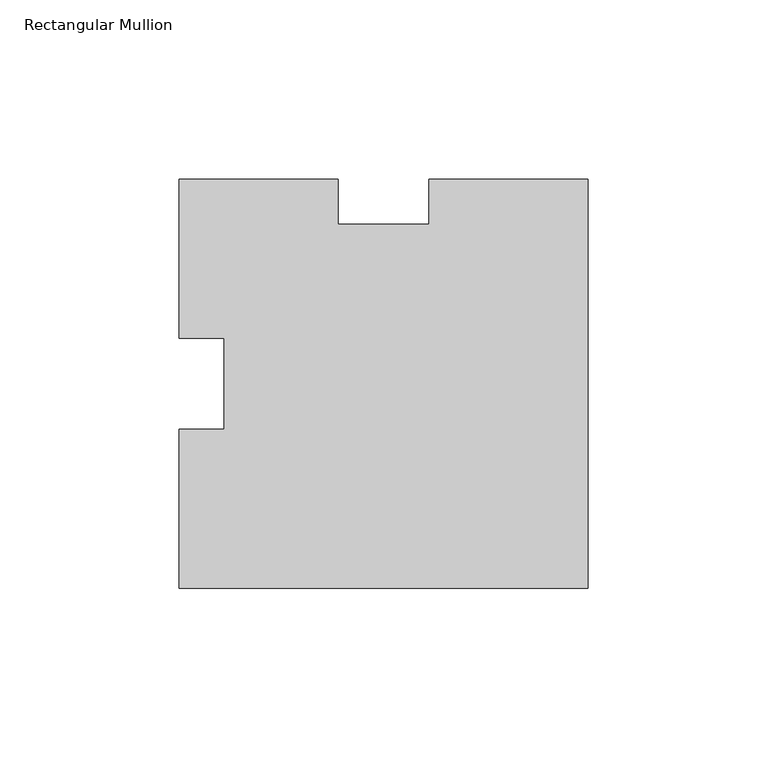
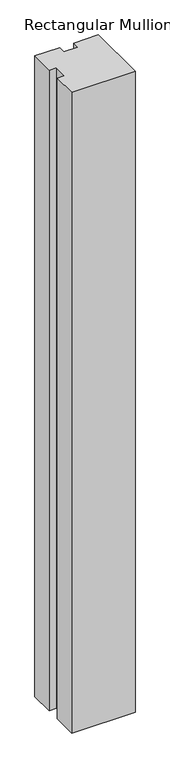
"""IFC4 building model written with IfcOpenShell, lengths in millimetres: member geometry, Rectangular Mullion."""

import ifcopenshell
import ifcopenshell.guid

model = None  # the IFC model being written
_history = None  # IfcOwnerHistory: only IFC2X3 demands one
_inside = {}  # id of a spatial element -> (the spatial element, [elements in it])
_under = {}  # id of a project, library or spatial element -> (it, [spatial elements below it])
_declared = {}  # id of a project -> (the project, [libraries it declares])
_typed = {}  # id of a type object -> (the type object, [elements of that type])
_made_of = {}  # id of a material, layer set ... -> (it, [elements and type objects made of it])


def new_model(schema):
    """Start an empty IFC model of exactly this schema.

    Asked for "IFC4X3", IfcOpenShell would pick the latest addendum, in which some entities
    have other attributes; the version numbers below select the first issue.
    IFC2X3 requires an IfcOwnerHistory on every rooted entity: one is made here for all.
    """
    global model, _history
    if schema == "IFC4X3":
        model = ifcopenshell.file(schema_version=(4, 3, 0, 0))
    else:
        model = ifcopenshell.file(schema=schema)
    _inside.clear()
    _under.clear()
    _declared.clear()
    _typed.clear()
    _made_of.clear()
    _history = None
    if model.schema == "IFC2X3":
        org = make("IfcOrganization", Name="unknown")
        user = make(
            "IfcPersonAndOrganization",
            ThePerson=make("IfcPerson", FamilyName="unknown"),
            TheOrganization=org,
        )
        app = make(
            "IfcApplication",
            ApplicationDeveloper=org,
            Version="unknown",
            ApplicationFullName="unknown",
            ApplicationIdentifier="unknown",
        )
        _history = make(
            "IfcOwnerHistory",
            OwningUser=user,
            OwningApplication=app,
            ChangeAction="ADDED",
            CreationDate=0,
        )
    return model


def make(cls, **values):
    """One entity of the class cls with the attributes given. An attribute that is None is left unset."""
    return model.create_entity(
        cls, **{name: value for name, value in values.items() if value is not None}
    )


def rooted(cls, **values):
    """An entity with a GlobalId (a new one), such as an element, a storey or a relation."""
    return make(cls, GlobalId=ifcopenshell.guid.new(), OwnerHistory=_history, **values)


def si_unit(unit_type, name, prefix=None):
    """IfcSIUnit, for example si_unit("LENGTHUNIT", "METRE", prefix="MILLI")."""
    return make("IfcSIUnit", UnitType=unit_type, Prefix=prefix, Name=name)


def assignment(units):
    """IfcUnitAssignment: the units of a project."""
    return None if units is None else make("IfcUnitAssignment", Units=units)


def point(xyz):
    """IfcCartesianPoint."""
    return None if xyz is None else make("IfcCartesianPoint", Coordinates=xyz)


def direction(xyz):
    """IfcDirection."""
    return None if xyz is None else make("IfcDirection", DirectionRatios=xyz)


def frame(location, z_axis=None, x_axis=None):
    """IfcAxis2Placement3D, a coordinate frame: its origin and axes. An axis left out is left unset."""
    return make(
        "IfcAxis2Placement3D",
        Location=point(location),
        Axis=direction(z_axis),
        RefDirection=direction(x_axis),
    )


def origin():
    """The frame at (0, 0, 0) with its axes left unset."""
    return frame((0.0, 0.0, 0.0))


def place(relative_to, where):
    """IfcLocalPlacement: puts the frame where relative to a parent placement (None: the world)."""
    return make(
        "IfcLocalPlacement", PlacementRelTo=relative_to, RelativePlacement=where
    )


def context(
    kind, dimensions, precision=None, world=None, true_north=None, identifier=None
):
    """IfcGeometricRepresentationContext, for example the 3D "Model" context."""
    return make(
        "IfcGeometricRepresentationContext",
        ContextIdentifier=identifier,
        ContextType=kind,
        CoordinateSpaceDimension=dimensions,
        Precision=precision,
        WorldCoordinateSystem=world,
        TrueNorth=true_north,
    )


def project(units=None, contexts=None):
    """IfcProject with its units and contexts."""
    return rooted(
        "IfcProject",
        Name="project",
        RepresentationContexts=contexts,
        UnitsInContext=assignment(units),
    )


def spatial(cls, under=None, at=None, **own):
    """A site, building, storey or space (cls), placed at a placement, below another one or the project."""
    s = rooted(cls, ObjectPlacement=at, **own)
    if under is not None:
        _under.setdefault(under.id(), (under, []))[1].append(s)
    return s


def polyline(points):
    """IfcPolyline through the points."""
    return make("IfcPolyline", Points=[point(p) for p in points])


def outline(outer, holes=None, kind="AREA"):
    """IfcArbitraryClosedProfileDef: a profile drawn as a closed curve; with holes, ...WithVoids."""
    if holes is None:
        return make("IfcArbitraryClosedProfileDef", ProfileType=kind, OuterCurve=outer)
    return make(
        "IfcArbitraryProfileDefWithVoids",
        ProfileType=kind,
        OuterCurve=outer,
        InnerCurves=holes,
    )


def extrude(swept, where, along, depth):
    """IfcExtrudedAreaSolid: the profile swept, set in the frame where, extruded along a direction by depth."""
    return make(
        "IfcExtrudedAreaSolid",
        SweptArea=swept,
        Position=where,
        ExtrudedDirection=direction(along),
        Depth=depth,
    )


def shape(context_of_items, identifier, shape_type, items):
    """IfcShapeRepresentation: the items that make up one representation, for example the "Body"."""
    return make(
        "IfcShapeRepresentation",
        ContextOfItems=context_of_items,
        RepresentationIdentifier=identifier,
        RepresentationType=shape_type,
        Items=items,
    )


def source(mapping_origin, context_of_items, identifier, shape_type, items):
    """IfcRepresentationMap: a shape defined once, which mapped items show again and again."""
    return make(
        "IfcRepresentationMap",
        MappingOrigin=mapping_origin,
        MappedRepresentation=shape(context_of_items, identifier, shape_type, items),
    )


def transform(
    local_origin,
    x_axis=None,
    y_axis=None,
    z_axis=None,
    scale=None,
    scale2=None,
    scale3=None,
    uniform=True,
):
    """IfcCartesianTransformationOperator3D, or its non-uniform kind. x_axis, y_axis, z_axis: its Axis1, 2, 3."""
    if uniform:
        return make(
            "IfcCartesianTransformationOperator3D",
            Axis1=direction(x_axis),
            Axis2=direction(y_axis),
            LocalOrigin=point(local_origin),
            Scale=scale,
            Axis3=direction(z_axis),
        )
    return make(
        "IfcCartesianTransformationOperator3DnonUniform",
        Axis1=direction(x_axis),
        Axis2=direction(y_axis),
        LocalOrigin=point(local_origin),
        Scale=scale,
        Axis3=direction(z_axis),
        Scale2=scale2,
        Scale3=scale3,
    )


def mapped(mapping_source, mapping_target):
    """IfcMappedItem: shows the shape of a source again, moved by a transform."""
    return make(
        "IfcMappedItem", MappingSource=mapping_source, MappingTarget=mapping_target
    )


def made_of(thing, what):
    """Note that an element or type object is made of a material, layer set ...; save() writes the relation."""
    if what is not None:
        _made_of.setdefault(what.id(), (what, []))[1].append(thing)
    return thing


def element(
    cls,
    number,
    at=None,
    inside=None,
    cuts=None,
    type_object=None,
    material=None,
    context=None,
    identifier="Body",
    shape_type=None,
    held_by="IfcProductDefinitionShape",
    body=None,
    shapes=None,
    **own,
):
    """One element of the class cls, such as IfcWall. Its Tag is "e" and its number.

    at: its placement. inside: the storey or other place that contains it. cuts: it is an
    opening in that element (IfcRelVoidsElement). A single representation is given by context,
    identifier, shape_type and body (its items); several are given by shapes. held_by: the class
    of the entity that holds the representations. save() writes the other relations.
    """
    e = rooted(cls, Tag="e%d" % number, ObjectPlacement=at, **own)
    if body is not None:
        shapes = [shape(context, identifier, shape_type, body)]
    if shapes is not None:
        e.Representation = make(held_by, Representations=shapes)
    if inside is not None:
        _inside.setdefault(inside.id(), (inside, []))[1].append(e)
    if cuts is not None:
        rooted(
            "IfcRelVoidsElement", RelatingBuildingElement=cuts, RelatedOpeningElement=e
        )
    if type_object is not None:
        _typed.setdefault(type_object.id(), (type_object, []))[1].append(e)
    return made_of(e, material)


def aggregate(whole, parts):
    """IfcRelAggregates: a whole, such as a stair, and the parts it consists of."""
    return rooted("IfcRelAggregates", RelatingObject=whole, RelatedObjects=parts)


def save(model, path):
    """Write the relations noted so far, then the file.

    IfcRelAggregates (storeys below a building ...), IfcRelContainedInSpatialStructure (elements
    in a storey), IfcRelDefinesByType, IfcRelAssociatesMaterial and IfcRelDeclares: one each for
    every whole, place, type object, material and project.
    """
    for whole, parts in _under.values():
        aggregate(whole, parts)
    for where, things in _inside.values():
        rooted(
            "IfcRelContainedInSpatialStructure",
            RelatedElements=things,
            RelatingStructure=where,
        )
    for kind, things in _typed.values():
        rooted("IfcRelDefinesByType", RelatedObjects=things, RelatingType=kind)
    for what, things in _made_of.values():
        rooted("IfcRelAssociatesMaterial", RelatedObjects=things, RelatingMaterial=what)
    for by, libraries in _declared.values():
        rooted("IfcRelDeclares", RelatingContext=by, RelatedDefinitions=libraries)
    model.write(path)


def rectangular_mullion_e25f7b01(model_context):
    return source(origin(), model_context, "Body", "SweptSolid", [
        extrude(outline(polyline([(-44.45, 57.15), (0.0, 57.15), (0.0, -57.15), (-114.3, -57.15), (-114.3, -12.7), (-101.5982296, -12.7), (-101.5982296, 12.7), (-114.3, 12.7), (-114.3, 57.15), (-69.85, 57.15), (-69.85, 44.45), (-44.45, 44.45), (-44.45, 57.15)])), frame((0.0, 0.0, -1219.2), z_axis=(0.0, 0.0, 1.0), x_axis=(1.0, 0.0, 0.0)), (0.0, 0.0, 1.0), 1219.2),
    ])


if __name__ == "__main__":
    model = new_model("IFC4")
    model_context = context("Model", 3, world=origin())
    ifc_project = project(units=[si_unit("LENGTHUNIT", "METRE", prefix="MILLI")], contexts=[model_context])
    site = spatial("IfcSite", under=ifc_project)
    building = spatial("IfcBuilding", under=site)
    placement = place(None, origin())
    rectangular_mullion_shape = rectangular_mullion_e25f7b01(model_context)
    element("IfcMember", 1, ObjectType="Rectangular Mullion", at=placement, inside=building, context=model_context, shape_type="MappedRepresentation", body=[
        mapped(rectangular_mullion_shape, transform((0.0, 0.0, 0.0), x_axis=(1.0, 0.0, 0.0), y_axis=(0.0, 1.0, 0.0), z_axis=(0.0, 0.0, 1.0))),
    ])
    save(model, "model.ifc")
